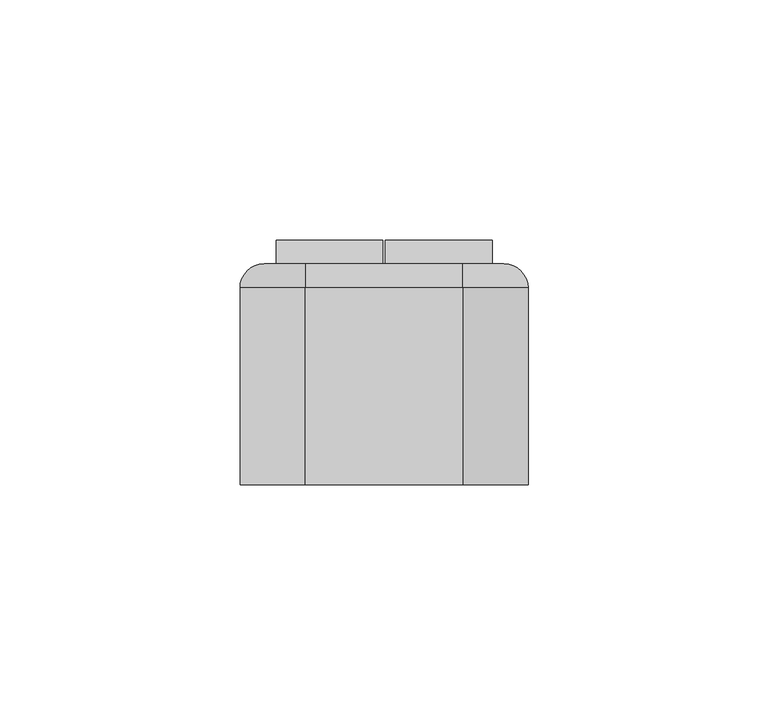
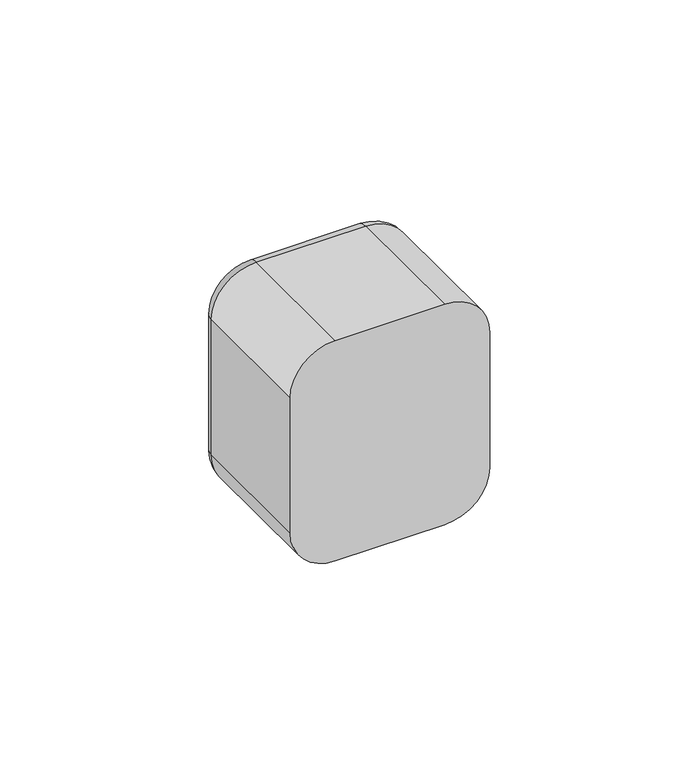
"""IFC4 building model written with IfcOpenShell, lengths in millimetres: switching device geometry."""

import ifcopenshell
import ifcopenshell.guid

model = None  # the IFC model being written
_history = None  # IfcOwnerHistory: only IFC2X3 demands one
_inside = {}  # id of a spatial element -> (the spatial element, [elements in it])
_under = {}  # id of a project, library or spatial element -> (it, [spatial elements below it])
_declared = {}  # id of a project -> (the project, [libraries it declares])
_typed = {}  # id of a type object -> (the type object, [elements of that type])
_made_of = {}  # id of a material, layer set ... -> (it, [elements and type objects made of it])


def new_model(schema):
    """Start an empty IFC model of exactly this schema.

    Asked for "IFC4X3", IfcOpenShell would pick the latest addendum, in which some entities
    have other attributes; the version numbers below select the first issue.
    IFC2X3 requires an IfcOwnerHistory on every rooted entity: one is made here for all.
    """
    global model, _history
    if schema == "IFC4X3":
        model = ifcopenshell.file(schema_version=(4, 3, 0, 0))
    else:
        model = ifcopenshell.file(schema=schema)
    _inside.clear()
    _under.clear()
    _declared.clear()
    _typed.clear()
    _made_of.clear()
    _history = None
    if model.schema == "IFC2X3":
        org = make("IfcOrganization", Name="unknown")
        user = make(
            "IfcPersonAndOrganization",
            ThePerson=make("IfcPerson", FamilyName="unknown"),
            TheOrganization=org,
        )
        app = make(
            "IfcApplication",
            ApplicationDeveloper=org,
            Version="unknown",
            ApplicationFullName="unknown",
            ApplicationIdentifier="unknown",
        )
        _history = make(
            "IfcOwnerHistory",
            OwningUser=user,
            OwningApplication=app,
            ChangeAction="ADDED",
            CreationDate=0,
        )
    return model


def make(cls, **values):
    """One entity of the class cls with the attributes given. An attribute that is None is left unset."""
    return model.create_entity(
        cls, **{name: value for name, value in values.items() if value is not None}
    )


def rooted(cls, **values):
    """An entity with a GlobalId (a new one), such as an element, a storey or a relation."""
    return make(cls, GlobalId=ifcopenshell.guid.new(), OwnerHistory=_history, **values)


def si_unit(unit_type, name, prefix=None):
    """IfcSIUnit, for example si_unit("LENGTHUNIT", "METRE", prefix="MILLI")."""
    return make("IfcSIUnit", UnitType=unit_type, Prefix=prefix, Name=name)


def assignment(units):
    """IfcUnitAssignment: the units of a project."""
    return None if units is None else make("IfcUnitAssignment", Units=units)


def point(xyz):
    """IfcCartesianPoint."""
    return None if xyz is None else make("IfcCartesianPoint", Coordinates=xyz)


def direction(xyz):
    """IfcDirection."""
    return None if xyz is None else make("IfcDirection", DirectionRatios=xyz)


def frame(location, z_axis=None, x_axis=None):
    """IfcAxis2Placement3D, a coordinate frame: its origin and axes. An axis left out is left unset."""
    return make(
        "IfcAxis2Placement3D",
        Location=point(location),
        Axis=direction(z_axis),
        RefDirection=direction(x_axis),
    )


def origin():
    """The frame at (0, 0, 0) with its axes left unset."""
    return frame((0.0, 0.0, 0.0))


def place(relative_to, where):
    """IfcLocalPlacement: puts the frame where relative to a parent placement (None: the world)."""
    return make(
        "IfcLocalPlacement", PlacementRelTo=relative_to, RelativePlacement=where
    )


def context(
    kind, dimensions, precision=None, world=None, true_north=None, identifier=None
):
    """IfcGeometricRepresentationContext, for example the 3D "Model" context."""
    return make(
        "IfcGeometricRepresentationContext",
        ContextIdentifier=identifier,
        ContextType=kind,
        CoordinateSpaceDimension=dimensions,
        Precision=precision,
        WorldCoordinateSystem=world,
        TrueNorth=true_north,
    )


def project(units=None, contexts=None):
    """IfcProject with its units and contexts."""
    return rooted(
        "IfcProject",
        Name="project",
        RepresentationContexts=contexts,
        UnitsInContext=assignment(units),
    )


def spatial(cls, under=None, at=None, **own):
    """A site, building, storey or space (cls), placed at a placement, below another one or the project."""
    s = rooted(cls, ObjectPlacement=at, **own)
    if under is not None:
        _under.setdefault(under.id(), (under, []))[1].append(s)
    return s


def polyline(points):
    """IfcPolyline through the points."""
    return make("IfcPolyline", Points=[point(p) for p in points])


def circle_curve(where, radius):
    """IfcCircle in the frame where."""
    return make("IfcCircle", Position=where, Radius=radius)


def ellipse_curve(where, semi_axis1, semi_axis2):
    """IfcEllipse in the frame where."""
    return make(
        "IfcEllipse", Position=where, SemiAxis1=semi_axis1, SemiAxis2=semi_axis2
    )


def trimmed(basis, trim1, trim2, sense, master):
    """IfcTrimmedCurve: the piece of a basis curve between two trims."""
    return make(
        "IfcTrimmedCurve",
        BasisCurve=basis,
        Trim1=trim1,
        Trim2=trim2,
        SenseAgreement=sense,
        MasterRepresentation=master,
    )


def outline(outer, holes=None, kind="AREA"):
    """IfcArbitraryClosedProfileDef: a profile drawn as a closed curve; with holes, ...WithVoids."""
    if holes is None:
        return make("IfcArbitraryClosedProfileDef", ProfileType=kind, OuterCurve=outer)
    return make(
        "IfcArbitraryProfileDefWithVoids",
        ProfileType=kind,
        OuterCurve=outer,
        InnerCurves=holes,
    )


def extrude(swept, where, along, depth):
    """IfcExtrudedAreaSolid: the profile swept, set in the frame where, extruded along a direction by depth."""
    return make(
        "IfcExtrudedAreaSolid",
        SweptArea=swept,
        Position=where,
        ExtrudedDirection=direction(along),
        Depth=depth,
    )


def shape(context_of_items, identifier, shape_type, items):
    """IfcShapeRepresentation: the items that make up one representation, for example the "Body"."""
    return make(
        "IfcShapeRepresentation",
        ContextOfItems=context_of_items,
        RepresentationIdentifier=identifier,
        RepresentationType=shape_type,
        Items=items,
    )


def source(mapping_origin, context_of_items, identifier, shape_type, items):
    """IfcRepresentationMap: a shape defined once, which mapped items show again and again."""
    return make(
        "IfcRepresentationMap",
        MappingOrigin=mapping_origin,
        MappedRepresentation=shape(context_of_items, identifier, shape_type, items),
    )


def transform(
    local_origin,
    x_axis=None,
    y_axis=None,
    z_axis=None,
    scale=None,
    scale2=None,
    scale3=None,
    uniform=True,
):
    """IfcCartesianTransformationOperator3D, or its non-uniform kind. x_axis, y_axis, z_axis: its Axis1, 2, 3."""
    if uniform:
        return make(
            "IfcCartesianTransformationOperator3D",
            Axis1=direction(x_axis),
            Axis2=direction(y_axis),
            LocalOrigin=point(local_origin),
            Scale=scale,
            Axis3=direction(z_axis),
        )
    return make(
        "IfcCartesianTransformationOperator3DnonUniform",
        Axis1=direction(x_axis),
        Axis2=direction(y_axis),
        LocalOrigin=point(local_origin),
        Scale=scale,
        Axis3=direction(z_axis),
        Scale2=scale2,
        Scale3=scale3,
    )


def mapped(mapping_source, mapping_target):
    """IfcMappedItem: shows the shape of a source again, moved by a transform."""
    return make(
        "IfcMappedItem", MappingSource=mapping_source, MappingTarget=mapping_target
    )


def made_of(thing, what):
    """Note that an element or type object is made of a material, layer set ...; save() writes the relation."""
    if what is not None:
        _made_of.setdefault(what.id(), (what, []))[1].append(thing)
    return thing


def element(
    cls,
    number,
    at=None,
    inside=None,
    cuts=None,
    type_object=None,
    material=None,
    context=None,
    identifier="Body",
    shape_type=None,
    held_by="IfcProductDefinitionShape",
    body=None,
    shapes=None,
    **own,
):
    """One element of the class cls, such as IfcWall. Its Tag is "e" and its number.

    at: its placement. inside: the storey or other place that contains it. cuts: it is an
    opening in that element (IfcRelVoidsElement). A single representation is given by context,
    identifier, shape_type and body (its items); several are given by shapes. held_by: the class
    of the entity that holds the representations. save() writes the other relations.
    """
    e = rooted(cls, Tag="e%d" % number, ObjectPlacement=at, **own)
    if body is not None:
        shapes = [shape(context, identifier, shape_type, body)]
    if shapes is not None:
        e.Representation = make(held_by, Representations=shapes)
    if inside is not None:
        _inside.setdefault(inside.id(), (inside, []))[1].append(e)
    if cuts is not None:
        rooted(
            "IfcRelVoidsElement", RelatingBuildingElement=cuts, RelatedOpeningElement=e
        )
    if type_object is not None:
        _typed.setdefault(type_object.id(), (type_object, []))[1].append(e)
    return made_of(e, material)


def aggregate(whole, parts):
    """IfcRelAggregates: a whole, such as a stair, and the parts it consists of."""
    return rooted("IfcRelAggregates", RelatingObject=whole, RelatedObjects=parts)


def save(model, path):
    """Write the relations noted so far, then the file.

    IfcRelAggregates (storeys below a building ...), IfcRelContainedInSpatialStructure (elements
    in a storey), IfcRelDefinesByType, IfcRelAssociatesMaterial and IfcRelDeclares: one each for
    every whole, place, type object, material and project.
    """
    for whole, parts in _under.values():
        aggregate(whole, parts)
    for where, things in _inside.values():
        rooted(
            "IfcRelContainedInSpatialStructure",
            RelatedElements=things,
            RelatingStructure=where,
        )
    for kind, things in _typed.values():
        rooted("IfcRelDefinesByType", RelatedObjects=things, RelatingType=kind)
    for what, things in _made_of.values():
        rooted("IfcRelAssociatesMaterial", RelatedObjects=things, RelatingMaterial=what)
    for by, libraries in _declared.values():
        rooted("IfcRelDeclares", RelatingContext=by, RelatedDefinitions=libraries)
    model.write(path)


def plane_surface(at):
    """IfcPlane: the flat surface through the origin of the frame at, square to its z axis."""
    return make("IfcPlane", Position=at)


def cylinder_surface(at, radius):
    """IfcCylindricalSurface: all points at the distance radius from the z axis of the frame at."""
    return make("IfcCylindricalSurface", Position=at, Radius=radius)


def revolved_surface(curve, axis_point, axis_direction):
    """IfcSurfaceOfRevolution: the curve turned about the line through axis_point along axis_direction."""
    return make(
        "IfcSurfaceOfRevolution",
        SweptCurve=make("IfcArbitraryOpenProfileDef", ProfileType="CURVE", Curve=curve),
        AxisPosition=make("IfcAxis1Placement", Location=point(axis_point), Axis=direction(axis_direction)),
    )


def advanced_brep(points, edges, surfaces, faces):
    """IfcAdvancedBrep: a solid bounded by faces that lie on surfaces and meet in shared edges.

    An edge is (start, end): straight between two places in points (the first is 0);
    or (start, end, curve); or (start, end, curve, False) where it runs against its curve.
    A face is (place in surfaces, loops), or (place, loops, False) where it looks against
    its surface's normal. A loop lists edges by number (the first is 1), with a minus sign
    where the edge is run from its end to its start. The first loop is the outer one.
    """
    corners = [point(p) for p in points]
    vertices = [make("IfcVertexPoint", VertexGeometry=c) for c in corners]
    made = []
    for start, end, *more in edges:
        made.append(
            make(
                "IfcEdgeCurve",
                EdgeStart=vertices[start],
                EdgeEnd=vertices[end],
                EdgeGeometry=more[0] if more else make("IfcPolyline", Points=[corners[start], corners[end]]),
                SameSense=more[1] if len(more) > 1 else True,
            )
        )
    hull = []
    for where, loops, *sense in faces:
        bounds = []
        for j, loop in enumerate(loops):
            ring = [make("IfcOrientedEdge", EdgeElement=made[abs(k) - 1], Orientation=k > 0) for k in loop]
            bounds.append(
                make(
                    "IfcFaceOuterBound" if j == 0 else "IfcFaceBound",
                    Bound=make("IfcEdgeLoop", EdgeList=ring),
                    Orientation=True,
                )
            )
        hull.append(make("IfcAdvancedFace", Bounds=bounds, FaceSurface=surfaces[where], SameSense=sense[0] if sense else True))
    return make("IfcAdvancedBrep", Outer=make("IfcClosedShell", CfsFaces=hull))


def switching_device_54e24c1f(model_context):
    return source(origin(), model_context, "Body", "SolidModel", [
        advanced_brep(
        [(16.4328665, 46.0, 30.0), (25.0, 46.0, 21.4328665), (25.0, 46.0, -21.4328665), (16.4328665, 46.0, -30.0), (-16.4328665, 46.0, -30.0), (-25.0, 46.0, -21.4328665), (-25.0, 46.0, 21.4328665), (-16.4328665, 46.0, 30.0), (22.5, 46.0, 22.5), (-22.5, 46.0, 22.5), (-22.5, 46.0, -22.5), (22.5, 46.0, -22.5), (-16.4328665, 0.0, 35.0), (-30.0, 0.0, 21.4328665), (-30.0, 0.0, -21.4328665), (-16.4328665, 0.0, -35.0), (16.4328665, 0.0, -35.0), (30.0, 0.0, -21.4328665), (30.0, 0.0, 21.4328665), (16.4328665, 0.0, 35.0), (22.5, 2.0, -22.5), (22.5, 2.0, 22.5), (-22.5, 2.0, -22.5), (-22.5, 2.0, 22.5), (-30.0, 41.0, 21.4328665), (-30.0, 41.0, -21.4328665), (-16.4328665, 41.0, -35.0), (16.4328665, 41.0, -35.0), (30.0, 41.0, -21.4328665), (30.0, 41.0, 21.4328665), (16.4328665, 41.0000072, 35.0), (-16.4328665, 41.0, 35.0)],
        [
            (0, 1, circle_curve(frame((16.4328665, 46.0, 21.4328665), z_axis=(0.0, 1.0, 0.0), x_axis=(0.0, 0.0, 1.0)), 8.5671335)),
            (1, 2),
            (2, 3, circle_curve(frame((16.4328665, 46.0, -21.4328665), z_axis=(0.0, 1.0, 0.0), x_axis=(1.0, 0.0, 0.0)), 8.5671335)),
            (3, 4),
            (4, 5, circle_curve(frame((-16.4328665, 46.0, -21.4328665), z_axis=(0.0, 1.0, 0.0), x_axis=(0.0, 0.0, -1.0)), 8.5671335)),
            (5, 6),
            (6, 7, circle_curve(frame((-16.4328665, 46.0, 21.4328665), z_axis=(0.0, 1.0, 0.0), x_axis=(-1.0, 0.0, 0.0)), 8.5671335)),
            (7, 0),
            (8, 9),
            (9, 10),
            (10, 11),
            (11, 8),
            (12, 13, circle_curve(frame((-16.4328665, 0.0, 21.4328665), z_axis=(0.0, -1.0, 0.0), x_axis=(1.0, 0.0, 0.0)), 13.5671335)),
            (13, 14),
            (14, 15, circle_curve(frame((-16.4328665, 0.0, -21.4328665), z_axis=(0.0, -1.0, 0.0), x_axis=(1.0, 0.0, 0.0)), 13.5671335)),
            (15, 16),
            (16, 17, circle_curve(frame((16.4328665, 0.0, -21.4328665), z_axis=(0.0, -1.0, 0.0), x_axis=(1.0, 0.0, 0.0)), 13.5671335)),
            (17, 18),
            (18, 19, circle_curve(frame((16.4328665, 0.0, 21.4328665), z_axis=(0.0, -1.0, 0.0), x_axis=(1.0, 0.0, 0.0)), 13.5671335)),
            (19, 12),
            (11, 20),
            (20, 21),
            (21, 8),
            (10, 22),
            (22, 20),
            (9, 23),
            (23, 22),
            (21, 23),
            (13, 24),
            (24, 25),
            (25, 14),
            (15, 26),
            (26, 27),
            (27, 16),
            (17, 28),
            (28, 29),
            (29, 18),
            (19, 30),
            (30, 31),
            (31, 12),
            (31, 24, circle_curve(frame((-16.4328665, 41.0, 21.4328665), z_axis=(0.0, -1.0, 0.0), x_axis=(1.0, 0.0, 0.0)), 13.5671335)),
            (25, 26, circle_curve(frame((-16.4328665, 41.0, -21.4328665), z_axis=(0.0, -1.0, 0.0), x_axis=(1.0, 0.0, 0.0)), 13.5671335)),
            (27, 28, circle_curve(frame((16.4328665, 41.0, -21.4328665), z_axis=(0.0, -1.0, 0.0), x_axis=(1.0, 0.0, 0.0)), 13.5671335)),
            (29, 30, circle_curve(frame((16.4328665, 41.0, 21.4328665), z_axis=(0.0, -1.0, 0.0), x_axis=(1.0, 0.0, 0.0)), 13.5671335)),
            (29, 1, circle_curve(frame((25.0, 41.0, 21.4328665), z_axis=(0.0, 0.0, 1.0), x_axis=(0.0, 1.0, 0.0)), 5.0)),
            (0, 30, circle_curve(frame((16.4328665, 41.0, 30.0), z_axis=(1.0, 0.0, 0.0), x_axis=(0.0, 1.0, 0.0)), 5.0)),
            (28, 2, circle_curve(frame((25.0, 41.0, -21.4328665), z_axis=(0.0, 0.0, 1.0), x_axis=(0.0, 1.0, 0.0)), 5.0)),
            (27, 3, circle_curve(frame((16.4328665, 41.0, -30.0), z_axis=(1.0, 0.0, 0.0), x_axis=(0.0, 1.0, 0.0)), 5.0)),
            (26, 4, circle_curve(frame((-16.4328665, 41.0, -30.0), z_axis=(1.0, 0.0, 0.0), x_axis=(0.0, 1.0, 0.0)), 5.0)),
            (25, 5, circle_curve(frame((-25.0, 41.0, -21.4328665), z_axis=(0.0, 0.0, -1.0), x_axis=(0.0, 1.0, 0.0)), 5.0)),
            (24, 6, circle_curve(frame((-25.0, 41.0, 21.4328665), z_axis=(0.0, 0.0, -1.0), x_axis=(0.0, 1.0, 0.0)), 5.0)),
            (31, 7, circle_curve(frame((-16.4328665, 41.0, 30.0), z_axis=(-1.0, 0.0, 0.0), x_axis=(0.0, 1.0, 0.0)), 5.0)),
        ],
        [
            plane_surface(frame((22.5, 46.0, 6.9412233), z_axis=(0.0, 1.0, 0.0), x_axis=(0.0, 0.0, 1.0))),
            plane_surface(frame((22.5, 0.0, 6.9412233), z_axis=(0.0, -1.0, 0.0), x_axis=(0.0, 0.0, -1.0))),
            plane_surface(frame((22.5, 0.0, 22.5), z_axis=(-1.0, 0.0, 0.0), x_axis=(0.0, 1.0, 0.0))),
            plane_surface(frame((22.5, 0.0, -22.5), z_axis=(0.0, 0.0, 1.0), x_axis=(0.0, 1.0, 0.0))),
            plane_surface(frame((-22.5, 0.0, -22.5), z_axis=(1.0, 0.0, 0.0), x_axis=(0.0, 1.0, 0.0))),
            plane_surface(frame((-22.5, 0.0, 22.5), z_axis=(0.0, 0.0, -1.0), x_axis=(0.0, 1.0, 0.0))),
            plane_surface(frame((-30.0, 0.0, 21.4328665), z_axis=(-1.0, 0.0, 0.0), x_axis=(0.0, 1.0, 0.0))),
            plane_surface(frame((-16.4328665, 0.0, -35.0), z_axis=(0.0, 0.0, -1.0), x_axis=(0.0, 1.0, 0.0))),
            plane_surface(frame((30.0, 0.0, -21.4328665), z_axis=(1.0, 0.0, 0.0), x_axis=(0.0, 1.0, 0.0))),
            plane_surface(frame((16.4328665, 0.0, 35.0), z_axis=(0.0, 0.0, 1.0), x_axis=(0.0, 1.0, 0.0))),
            cylinder_surface(frame((-16.4328665, 0.0, 21.4328665), z_axis=(0.0, -1.0, 0.0), x_axis=(1.0, 0.0, 0.0)), 13.5671335),
            cylinder_surface(frame((-16.4328665, 0.0, -21.4328665), z_axis=(0.0, -1.0, 0.0), x_axis=(1.0, 0.0, 0.0)), 13.5671335),
            cylinder_surface(frame((16.4328665, 0.0, -21.4328665), z_axis=(0.0, -1.0, 0.0), x_axis=(1.0, 0.0, 0.0)), 13.5671335),
            cylinder_surface(frame((16.4328665, 0.0, 21.4328665), z_axis=(0.0, -1.0, 0.0), x_axis=(1.0, 0.0, 0.0)), 13.5671335),
            plane_surface(frame((-22.5, 2.0, 31.0), z_axis=(0.0, 1.0, 0.0), x_axis=(0.0, 0.0, 1.0))),
            revolved_surface(trimmed(ellipse_curve(frame((16.4328665, 41.0, 30.0), z_axis=(-1.0, 0.0, 0.0), x_axis=(0.0, 1.0, 0.0)), 5.0, 5.0), [point((16.4328665, 41.0, 35.0))], [point((16.4328665, 46.0, 30.0))], True, "CARTESIAN"), (16.4328665, 46.0, 21.4328665), (0.0, 1.0, 0.0)),
            cylinder_surface(frame((25.0, 41.0, 21.4328665), z_axis=(0.0, 0.0, -1.0), x_axis=(0.0, 1.0, 0.0)), 5.0),
            revolved_surface(trimmed(ellipse_curve(frame((25.0, 41.0, -21.4328665), z_axis=(0.0, 0.0, 1.0), x_axis=(0.0, 1.0, 0.0)), 5.0, 5.0), [point((30.0, 41.0, -21.4328665))], [point((25.0, 46.0, -21.4328665))], True, "CARTESIAN"), (16.4328665, 46.0, -21.4328665), (0.0, 1.0, 0.0)),
            cylinder_surface(frame((16.4328665, 41.0, -30.0), z_axis=(-1.0, 0.0, 0.0), x_axis=(0.0, 1.0, 0.0)), 5.0),
            revolved_surface(trimmed(ellipse_curve(frame((-16.4328665, 41.0, -30.0), z_axis=(1.0, 0.0, 0.0), x_axis=(0.0, 1.0, 0.0)), 5.0, 5.0), [point((-16.4328665, 41.0, -35.0))], [point((-16.4328665, 46.0, -30.0))], True, "CARTESIAN"), (-16.4328665, 46.0, -21.4328665), (0.0, 1.0, 0.0)),
            cylinder_surface(frame((-25.0, 41.0, -21.4328665), z_axis=(0.0, 0.0, 1.0), x_axis=(0.0, 1.0, 0.0)), 5.0),
            revolved_surface(trimmed(ellipse_curve(frame((-25.0, 41.0, 21.4328665), z_axis=(0.0, 0.0, -1.0), x_axis=(0.0, 1.0, 0.0)), 5.0, 5.0), [point((-30.0, 41.0, 21.4328665))], [point((-25.0, 46.0, 21.4328665))], True, "CARTESIAN"), (-16.4328665, 46.0, 21.4328665), (0.0, 1.0, 0.0)),
            cylinder_surface(frame((-16.4328665, 41.0, 30.0), z_axis=(1.0, 0.0, 0.0), x_axis=(0.0, 1.0, 0.0)), 5.0),
        ],
        [
            (0, [[1, 2, 3, 4, 5, 6, 7, 8], [9, 10, 11, 12]]),
            (1, [[13, 14, 15, 16, 17, 18, 19, 20]]),
            (2, [[-12, 21, 22, 23]]),
            (3, [[-11, 24, 25, -21]]),
            (4, [[-10, 26, 27, -24]]),
            (5, [[-9, -23, 28, -26]]),
            (6, [[-14, 29, 30, 31]]),
            (7, [[-16, 32, 33, 34]]),
            (8, [[-18, 35, 36, 37]]),
            (9, [[-20, 38, 39, 40]]),
            (10, [[-13, -40, 41, -29]]),
            (11, [[-15, -31, 42, -32]]),
            (12, [[-17, -34, 43, -35]]),
            (13, [[-19, -37, 44, -38]]),
            (14, [[-22, -25, -27, -28]]),
            (15, [[45, -1, 46, -44]]),
            (16, [[-45, -36, 47, -2]]),
            (17, [[-47, -43, 48, -3]]),
            (18, [[-48, -33, 49, -4]]),
            (19, [[-49, -42, 50, -5]]),
            (20, [[-50, -30, 51, -6]]),
            (21, [[-51, -41, 52, -7]]),
            (22, [[-46, -8, -52, -39]]),
        ],
    ),
        extrude(outline(polyline([(46.0, -22.5), (46.0, 22.5), (50.9850961, 21.9408026), (46.0, -22.5)])), frame((0.25, 0.0, 0.0), z_axis=(1.0, 0.0, 0.0), x_axis=(0.0, 1.0, 0.0)), (0.0, 0.0, 1.0), 22.25),
        extrude(outline(polyline([(46.0, -22.5), (46.0, 22.5), (50.9850961, 21.9408026), (46.0, -22.5)])), frame((-22.5, 0.0, 0.0), z_axis=(1.0, 0.0, 0.0), x_axis=(0.0, 1.0, 0.0)), (0.0, 0.0, 1.0), 22.25),
        extrude(outline(polyline([(22.5, 2.0), (-22.5, 2.0), (-22.5, 38.0), (22.5, 38.0), (22.5, 2.0)])), frame((0.0, 0.0, -22.5), z_axis=(0.0, 0.0, 1.0), x_axis=(1.0, 0.0, 0.0)), (0.0, 0.0, 1.0), 45.0),
        extrude(outline(polyline([(22.5, 38.0), (-22.5, 38.0), (-22.5, 46.0), (22.5, 46.0), (22.5, 38.0)])), frame((0.0, 0.0, -22.5), z_axis=(0.0, 0.0, 1.0), x_axis=(1.0, 0.0, 0.0)), (0.0, 0.0, 1.0), 45.0),
    ])


if __name__ == "__main__":
    model = new_model("IFC4")
    model_context = context("Model", 3, world=origin())
    ifc_project = project(units=[si_unit("LENGTHUNIT", "METRE", prefix="MILLI")], contexts=[model_context])
    site = spatial("IfcSite", under=ifc_project)
    building = spatial("IfcBuilding", under=site)
    placement = place(None, origin())
    switching_device_shape = switching_device_54e24c1f(model_context)
    element("IfcSwitchingDevice", 1, at=placement, inside=building, context=model_context, shape_type="MappedRepresentation", body=[
        mapped(switching_device_shape, transform((0.0, 0.0, 0.0), x_axis=(1.0, 0.0, 0.0), y_axis=(0.0, 1.0, 0.0), z_axis=(0.0, 0.0, 1.0))),
    ])
    save(model, "model.ifc")
